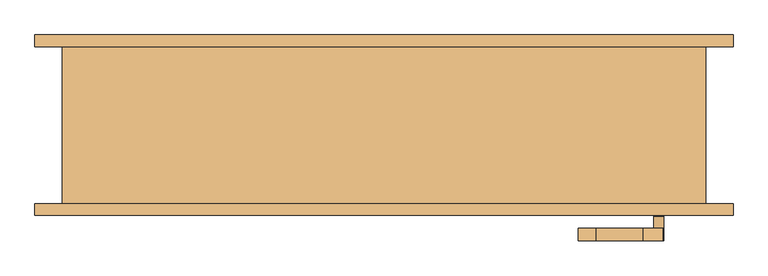
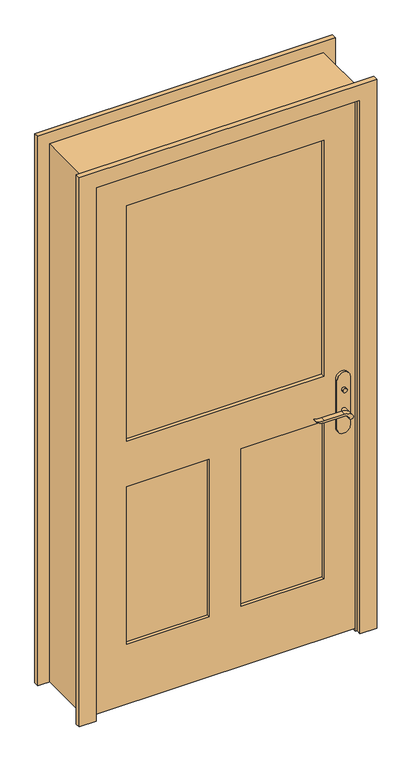
"""IFC4 building model written with IfcOpenShell, lengths in millimetres: door geometry."""

from ifc_helpers import new_model, si_unit, point, frame, frame_2d, origin, place, context, project, spatial, polyline, circle_curve, trimmed, segment, composite_curve, outline, extrude, faceted_brep, source, transform, mapped, element, save


def door_90a51b68(model_context):
    return source(origin(), model_context, "Body", "SolidModel", [
        extrude(outline(polyline([(-38.1, 12.7), (-12.7, 0.0), (-98.425, 0.0), (-73.025, 12.7), (-38.1, 12.7)])), frame((-495.3, 0.0, 0.0), z_axis=(1.0, 0.0, 0.0), x_axis=(0.0, 1.0, 0.0)), (0.0, 0.0, 1.0), 990.6),
        extrude(outline(polyline([(449.5, -68.9), (449.5, -78.9), (439.5, -78.9), (439.5, -68.9), (449.5, -68.9)])), frame((0.0, 0.0, 981.9), z_axis=(0.0, 0.0, 1.0), x_axis=(1.0, 0.0, 0.0)), (0.0, 0.0, 1.0), 30.0),
        extrude(outline(composite_curve([segment(trimmed(circle_curve(frame_2d((996.9, 444.5)), 8.0), [point((996.9, 436.5))], [point((996.9, 452.5))], False, "CARTESIAN"), True, "CONTINUOUS"), segment(trimmed(circle_curve(frame_2d((996.9, 444.5)), 8.0), [point((996.9, 452.5))], [point((996.9, 436.5))], False, "CARTESIAN"), True, "CONTINUOUS")], self_intersect=False)), frame((0.0, -143.825, 0.0), z_axis=(0.0, 1.0, 0.0), x_axis=(0.0, 0.0, 1.0)), (0.0, 0.0, 1.0), 10.0),
        extrude(outline(composite_curve([segment(trimmed(circle_curve(frame_2d((897.1555521, 420.8324871)), 37.2832219), [point((919.0523287, 451.0081363))], [point((934.4, 419.1325667))], False, "CARTESIAN"), True, "CONTINUOUS"), segment(polyline([(934.4, 419.1325667), (934.4, 342.8564091)]), True, "CONTINUOUS"), segment(trimmed(circle_curve(frame_2d((1017.6850638, 342.9227909)), 83.2850902), [point((934.4, 342.8564091))], [point((939.4, 314.5))], True, "CARTESIAN"), True, "CONTINUOUS"), segment(polyline([(939.4, 314.5), (936.6135558, 314.5)]), True, "CONTINUOUS"), segment(trimmed(circle_curve(frame_2d((986.6709207, 346.4396612)), 59.3791355), [point((936.6135558, 314.5))], [point((927.4, 342.8564091))], False, "CARTESIAN"), True, "CONTINUOUS"), segment(polyline([(927.4, 342.8564091), (927.4, 419.1138099)]), True, "CONTINUOUS"), segment(trimmed(circle_curve(frame_2d((909.2738613, 419.1138099)), 18.1261387), [point((927.4, 419.1138099))], [point((914.4, 436.5))], True, "CARTESIAN"), True, "CONTINUOUS"), segment(trimmed(circle_curve(frame_2d((914.4, 444.5)), 8.0), [point((914.4, 436.5))], [point((919.0523287, 451.0081363))], False, "CARTESIAN"), True, "CONTINUOUS")], self_intersect=False)), frame((0.0, -48.9, 0.0), z_axis=(0.0, 1.0, 0.0), x_axis=(0.0, 0.0, 1.0)), (0.0, 0.0, 1.0), 20.0),
        extrude(outline(composite_curve([segment(trimmed(circle_curve(frame_2d((914.4, 444.5)), 8.0), [point((914.3999903, 436.5))], [point((919.0523287, 451.0081363))], False, "CARTESIAN"), True, "CONTINUOUS"), segment(trimmed(circle_curve(frame_2d((897.1555521, 420.8324871)), 37.2832219), [point((919.0523287, 451.0081363))], [point((934.4, 419.1325667))], False, "CARTESIAN"), True, "CONTINUOUS"), segment(polyline([(934.4, 419.1325667), (934.4, 342.8564091)]), True, "CONTINUOUS"), segment(trimmed(circle_curve(frame_2d((1017.6850638, 342.9227909)), 83.2850902), [point((934.4, 342.8564091))], [point((939.4, 314.5))], True, "CARTESIAN"), True, "CONTINUOUS"), segment(polyline([(939.4, 314.5), (936.6135558, 314.5)]), True, "CONTINUOUS"), segment(trimmed(circle_curve(frame_2d((986.6709207, 346.4396612)), 59.3791355), [point((936.6135558, 314.5))], [point((927.4, 342.8564091))], False, "CARTESIAN"), True, "CONTINUOUS"), segment(polyline([(927.4, 342.8564091), (927.4, 419.1138122)]), True, "CONTINUOUS"), segment(trimmed(circle_curve(frame_2d((909.2738682, 419.1138122)), 18.1261318), [point((927.4, 419.1138122))], [point((914.3999903, 436.5))], True, "CARTESIAN"), True, "CONTINUOUS")], self_intersect=False)), frame((0.0, -183.825, 0.0), z_axis=(0.0, 1.0, 0.0), x_axis=(0.0, 0.0, 1.0)), (0.0, 0.0, 1.0), 20.0),
        extrude(outline(composite_curve([segment(trimmed(circle_curve(frame_2d((914.4, 444.5)), 8.0), [point((914.4, 436.5))], [point((914.4, 452.5))], False, "CARTESIAN"), True, "CONTINUOUS"), segment(trimmed(circle_curve(frame_2d((914.4, 444.5)), 8.0), [point((914.4, 452.5))], [point((914.4, 436.5))], False, "CARTESIAN"), True, "CONTINUOUS")], self_intersect=False)), frame((0.0, -78.9, 0.0), z_axis=(0.0, 1.0, 0.0), x_axis=(0.0, 0.0, 1.0)), (0.0, 0.0, 1.0), 30.0),
        extrude(outline(composite_curve([segment(trimmed(circle_curve(frame_2d((914.4, 444.5)), 8.0), [point((914.4, 436.5))], [point((914.4, 452.5))], False, "CARTESIAN"), True, "CONTINUOUS"), segment(trimmed(circle_curve(frame_2d((914.4, 444.5)), 8.0), [point((914.4, 452.5))], [point((914.4, 436.5))], False, "CARTESIAN"), True, "CONTINUOUS")], self_intersect=False)), frame((0.0, -163.825, 0.0), z_axis=(0.0, 1.0, 0.0), x_axis=(0.0, 0.0, 1.0)), (0.0, 0.0, 1.0), 30.0),
        extrude(outline(composite_curve([segment(polyline([(844.4, 469.5), (1039.4, 469.5)]), True, "CONTINUOUS"), segment(trimmed(circle_curve(frame_2d((1039.4, 444.5)), 25.0), [point((1039.4, 469.5))], [point((1039.4, 419.5))], False, "CARTESIAN"), True, "CONTINUOUS"), segment(polyline([(1039.4, 419.5), (844.4, 419.5)]), True, "CONTINUOUS"), segment(trimmed(circle_curve(frame_2d((844.4, 444.5)), 25.0), [point((844.4, 419.5))], [point((844.4, 469.5))], False, "CARTESIAN"), True, "CONTINUOUS")], self_intersect=False)), frame((0.0, -88.9, 0.0), z_axis=(0.0, 1.0, 0.0), x_axis=(0.0, 0.0, 1.0)), (0.0, 0.0, 1.0), 10.0),
        extrude(outline(composite_curve([segment(polyline([(844.4, 469.5), (1039.4, 469.5)]), True, "CONTINUOUS"), segment(trimmed(circle_curve(frame_2d((1039.4, 444.5)), 25.0), [point((1039.4, 469.5))], [point((1039.4, 419.5))], False, "CARTESIAN"), True, "CONTINUOUS"), segment(polyline([(1039.4, 419.5), (844.4, 419.5)]), True, "CONTINUOUS"), segment(trimmed(circle_curve(frame_2d((844.4, 444.5)), 25.0), [point((844.4, 419.5))], [point((844.4, 469.5))], False, "CARTESIAN"), True, "CONTINUOUS")], self_intersect=False)), frame((0.0, -133.825, 0.0), z_axis=(0.0, 1.0, 0.0), x_axis=(0.0, 0.0, 1.0)), (0.0, 0.0, 1.0), 10.0),
        faceted_brep([(520.7, -123.825, 0.0), (495.3, -123.825, 0.0), (495.3, -88.9, 0.0), (482.6, -88.9, 0.0), (482.6, -53.975, 0.0), (495.3, -53.975, 0.0), (495.3, 130.175, 0.0), (520.7, 130.175, 0.0), (520.7, 130.175, 2159.0), (520.7, -123.825, 2159.0), (495.3, 130.175, 2133.6), (-495.3, 130.175, 2133.6), (-495.3, 130.175, 0.0), (-520.7, 130.175, 0.0), (-520.7, 130.175, 2159.0), (495.3, -53.975, 2133.6), (482.6, -53.975, 2120.9), (-482.6, -53.975, 2120.9), (-482.6, -53.975, 0.0), (-495.3, -53.975, 0.0), (-495.3, -53.975, 2133.6), (482.6, -88.9, 2120.9), (495.3, -88.9, 2133.6), (-495.3, -88.9, 2133.6), (-495.3, -88.9, 0.0), (-482.6, -88.9, 0.0), (-482.6, -88.9, 2120.9), (495.3, -123.825, 2133.6), (-520.7, -123.825, 2159.0), (-520.7, -123.825, 0.0), (-495.3, -123.825, 0.0), (-495.3, -123.825, 2133.6)], [[[0, 1, 2, 3, 4, 5, 6, 7]], [[7, 8, 9, 0]], [[6, 10, 11, 12, 13, 14, 8, 7]], [[5, 15, 10, 6]], [[4, 16, 17, 18, 19, 20, 15, 5]], [[3, 21, 16, 4]], [[2, 22, 23, 24, 25, 26, 21, 3]], [[1, 27, 22, 2]], [[0, 9, 28, 29, 30, 31, 27, 1]], [[8, 14, 28, 9]], [[15, 20, 11, 10]], [[21, 26, 17, 16]], [[27, 31, 23, 22]], [[29, 13, 12, 19, 18, 25, 24, 30]], [[14, 13, 29, 28]], [[20, 19, 12, 11]], [[26, 25, 18, 17]], [[31, 30, 24, 23]]]),
        extrude(outline(polyline([(2133.6, -495.3), (12.7, -495.3), (12.7, 495.3), (2133.6, 495.3), (2133.6, -495.3)]), holes=[polyline([(1066.8, -374.65), (2012.95, -374.65), (2012.95, 374.65), (1066.8, 374.65), (1066.8, -374.65)]), polyline([(885.825, -60.325), (254.0, -60.325), (254.0, -374.65), (885.825, -374.65), (885.825, -60.325)]), polyline([(885.825, 374.65), (254.0, 374.65), (254.0, 60.325), (885.825, 60.325), (885.825, 374.65)])]), frame((0.0, -123.825, 0.0), z_axis=(0.0, 1.0, 0.0), x_axis=(0.0, 0.0, 1.0)), (0.0, 0.0, 1.0), 34.925),
        extrude(outline(polyline([(374.65, -102.87), (374.65, -109.855), (-374.65, -109.855), (-374.65, -102.87), (374.65, -102.87)])), frame((0.0, 0.0, 1066.8), z_axis=(0.0, 0.0, 1.0), x_axis=(1.0, 0.0, 0.0)), (0.0, 0.0, 1.0), 946.15),
        extrude(outline(polyline([(-60.325, -100.5416667), (-60.325, -112.1833333), (-374.65, -112.1833333), (-374.65, -100.5416667), (-60.325, -100.5416667)])), frame((0.0, 0.0, 254.0), z_axis=(0.0, 0.0, 1.0), x_axis=(1.0, 0.0, 0.0)), (0.0, 0.0, 1.0), 631.825),
        extrude(outline(polyline([(374.65, -100.5416667), (374.65, -112.1833333), (60.325, -112.1833333), (60.325, -100.5416667), (374.65, -100.5416667)])), frame((0.0, 0.0, 254.0), z_axis=(0.0, 0.0, 1.0), x_axis=(1.0, 0.0, 0.0)), (0.0, 0.0, 1.0), 631.825),
        extrude(outline(polyline([(0.0, -501.65), (2139.95, -501.65), (2139.95, 501.65), (0.0, 501.65), (0.0, 565.15), (2203.45, 565.15), (2203.45, -565.15), (0.0, -565.15), (0.0, -501.65)])), frame((0.0, -142.875, 0.0), z_axis=(0.0, 1.0, 0.0), x_axis=(0.0, 0.0, 1.0)), (0.0, 0.0, 1.0), 19.05),
        extrude(outline(polyline([(0.0, -501.65), (2139.95, -501.65), (2139.95, 501.65), (0.0, 501.65), (0.0, 565.15), (2203.45, 565.15), (2203.45, -565.15), (0.0, -565.15), (0.0, -501.65)])), frame((0.0, 130.175, 0.0), z_axis=(0.0, 1.0, 0.0), x_axis=(0.0, 0.0, 1.0)), (0.0, 0.0, 1.0), 19.05),
    ])


if __name__ == "__main__":
    model = new_model("IFC4")
    model_context = context("Model", 3, world=origin())
    ifc_project = project(units=[si_unit("LENGTHUNIT", "METRE", prefix="MILLI")], contexts=[model_context])
    site = spatial("IfcSite", under=ifc_project)
    building = spatial("IfcBuilding", under=site)
    placement = place(None, origin())
    door_shape = door_90a51b68(model_context)
    element("IfcDoor", 1, at=placement, inside=building, context=model_context, shape_type="MappedRepresentation", body=[
        mapped(door_shape, transform((0.0, 0.0, 0.0), x_axis=(1.0, 0.0, 0.0), y_axis=(0.0, 1.0, 0.0), z_axis=(0.0, 0.0, 1.0))),
    ])
    save(model, "model.ifc")
